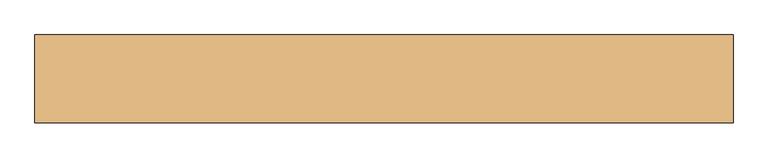
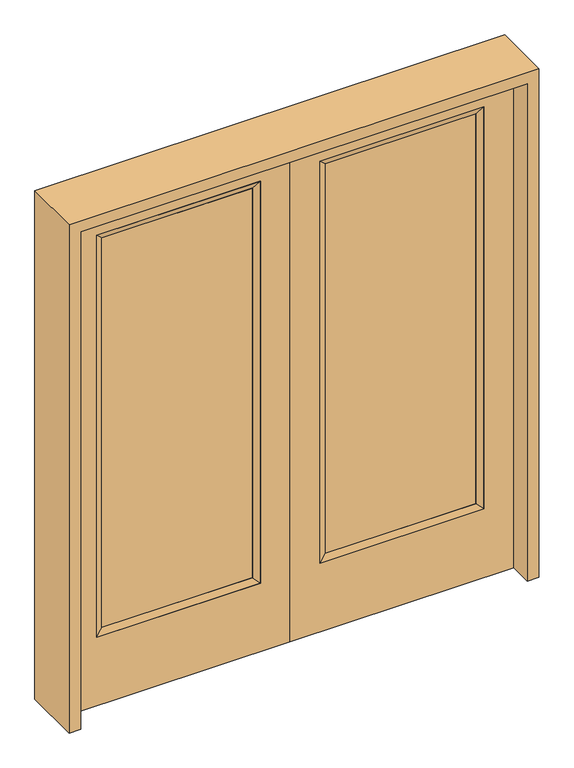
"""IFC4 building model written with IfcOpenShell, lengths in millimetres: door geometry."""

from ifc_helpers import new_model, si_unit, frame, origin, place, context, project, spatial, polyline, outline, extrude, faceted_brep, source, transform, mapped, element, save


def door_6cc7a4ce(model_context):
    return source(origin(), model_context, "Body", "SolidModel", [
        extrude(outline(polyline([(140.8176, -12.7039749), (140.8176, 14.2875), (722.7824, 14.2875), (722.7824, -12.7039749), (140.8176, -12.7039749)])), frame((0.0, 0.0, 304.8), z_axis=(0.0, 0.0, 1.0), x_axis=(1.0, 0.0, 0.0)), (0.0, 0.0, 1.0), 1590.675),
        faceted_brep([(140.8176, 14.2875, 1895.475), (140.8176, 14.2875, 304.8), (115.4176, 22.225, 279.4), (115.4176, 22.225, 1920.875), (115.4176, -22.225, 279.4), (115.4176, -22.225, 1920.875), (722.7824, 14.2875, 304.8), (748.1824, 22.225, 279.4), (140.8176, -12.7039749, 1895.475), (140.8176, -12.7039749, 304.8), (722.7824, -12.7039749, 304.8), (748.1824, -22.225, 279.4), (722.7824, 14.2875, 1895.475), (748.1824, 22.225, 1920.875), (722.7824, -12.7039749, 1895.475), (748.1824, -22.225, 1920.875)], [[[0, 1, 2, 3]], [[3, 2, 4, 5]], [[1, 6, 7, 2]], [[8, 9, 1, 0]], [[9, 10, 6, 1]], [[5, 4, 9, 8]], [[4, 11, 10, 9]], [[2, 7, 11, 4]], [[6, 12, 13, 7]], [[10, 14, 12, 6]], [[11, 15, 14, 10]], [[7, 13, 15, 11]], [[12, 0, 3, 13]], [[14, 8, 0, 12]], [[15, 5, 8, 14]], [[13, 3, 5, 15]]]),
        extrude(outline(polyline([(0.0, 863.6), (2032.0, 863.6), (2032.0, 0.0), (0.0, 0.0), (0.0, 863.6)]), holes=[polyline([(279.4, 748.1824), (279.4, 115.4176), (1920.875, 115.4176), (1920.875, 748.1824), (279.4, 748.1824)])]), frame((0.0, -22.225, 0.0), z_axis=(0.0, 1.0, 0.0), x_axis=(0.0, 0.0, 1.0)), (0.0, 0.0, 1.0), 44.45),
        extrude(outline(polyline([(-140.8176, -12.7039749), (-722.7824, -12.7039749), (-722.7824, 14.2875), (-140.8176, 14.2875), (-140.8176, -12.7039749)])), frame((0.0, 0.0, 304.8), z_axis=(0.0, 0.0, 1.0), x_axis=(1.0, 0.0, 0.0)), (0.0, 0.0, 1.0), 1590.675),
        faceted_brep([(-140.8176, 14.2875, 1895.475), (-115.4176, 22.225, 1920.875), (-115.4176, 22.225, 279.4), (-140.8176, 14.2875, 304.8), (-115.4176, -22.225, 1920.875), (-115.4176, -22.225, 279.4), (-748.1824, 22.225, 279.4), (-722.7824, 14.2875, 304.8), (-140.8176, -12.7039749, 1895.475), (-140.8176, -12.7039749, 304.8), (-722.7824, -12.7039749, 304.8), (-748.1824, -22.225, 279.4), (-748.1824, 22.225, 1920.875), (-722.7824, 14.2875, 1895.475), (-722.7824, -12.7039749, 1895.475), (-748.1824, -22.225, 1920.875)], [[[0, 1, 2, 3]], [[1, 4, 5, 2]], [[3, 2, 6, 7]], [[8, 0, 3, 9]], [[9, 3, 7, 10]], [[4, 8, 9, 5]], [[5, 9, 10, 11]], [[2, 5, 11, 6]], [[7, 6, 12, 13]], [[10, 7, 13, 14]], [[11, 10, 14, 15]], [[6, 11, 15, 12]], [[13, 12, 1, 0]], [[14, 13, 0, 8]], [[15, 14, 8, 4]], [[12, 15, 4, 1]]]),
        extrude(outline(polyline([(0.0, -863.6), (0.0, 0.0), (2032.0, 0.0), (2032.0, -863.6), (0.0, -863.6)]), holes=[polyline([(279.4, -748.1824), (1920.875, -748.1824), (1920.875, -115.4176), (279.4, -115.4176), (279.4, -748.1824)])]), frame((0.0, -22.225, 0.0), z_axis=(0.0, 1.0, 0.0), x_axis=(0.0, 0.0, 1.0)), (0.0, 0.0, 1.0), 44.45),
        extrude(outline(polyline([(2076.45, -908.05), (0.0, -908.05), (0.0, -863.6), (2032.0, -863.6), (2032.0, 863.6), (0.0, 863.6), (0.0, 908.05), (2076.45, 908.05), (2076.45, -908.05)])), frame((0.0, -114.3, 0.0), z_axis=(0.0, 1.0, 0.0), x_axis=(0.0, 0.0, 1.0)), (0.0, 0.0, 1.0), 228.6),
    ])


if __name__ == "__main__":
    model = new_model("IFC4")
    model_context = context("Model", 3, world=origin())
    ifc_project = project(units=[si_unit("LENGTHUNIT", "METRE", prefix="MILLI")], contexts=[model_context])
    site = spatial("IfcSite", under=ifc_project)
    building = spatial("IfcBuilding", under=site)
    placement = place(None, origin())
    door_shape = door_6cc7a4ce(model_context)
    element("IfcDoor", 1, at=placement, inside=building, context=model_context, shape_type="MappedRepresentation", body=[
        mapped(door_shape, transform((0.0, 0.0, 0.0), x_axis=(1.0, 0.0, 0.0), y_axis=(0.0, 1.0, 0.0), z_axis=(0.0, 0.0, 1.0))),
    ])
    save(model, "model.ifc")
